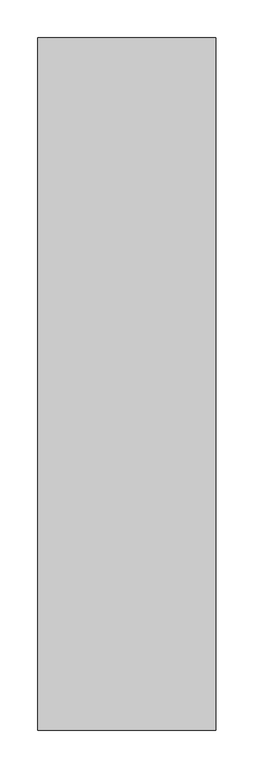
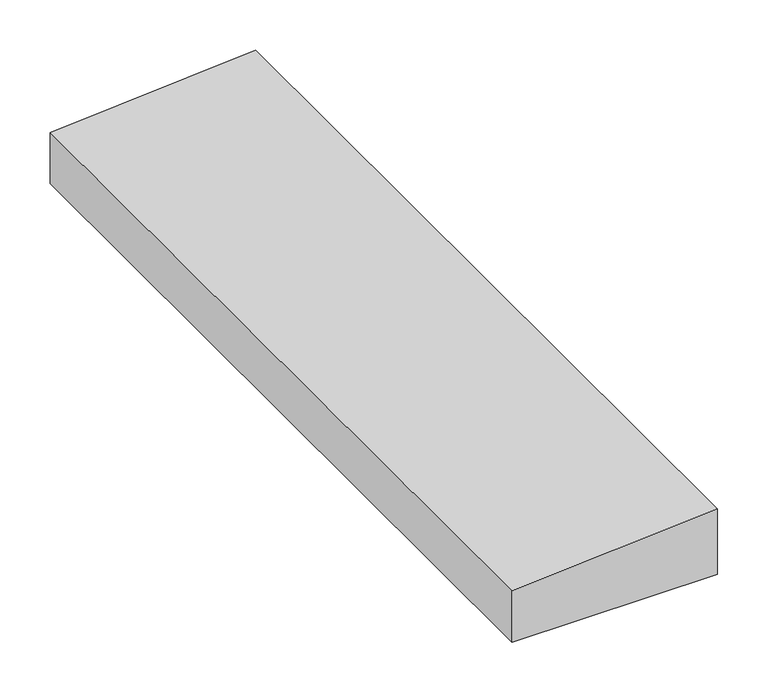
"""IFC4 building model written with IfcOpenShell, lengths in millimetres: proxy geometry."""

import ifcopenshell
import ifcopenshell.guid

model = None  # the IFC model being written
_history = None  # IfcOwnerHistory: only IFC2X3 demands one
_inside = {}  # id of a spatial element -> (the spatial element, [elements in it])
_under = {}  # id of a project, library or spatial element -> (it, [spatial elements below it])
_declared = {}  # id of a project -> (the project, [libraries it declares])
_typed = {}  # id of a type object -> (the type object, [elements of that type])
_made_of = {}  # id of a material, layer set ... -> (it, [elements and type objects made of it])


def new_model(schema):
    """Start an empty IFC model of exactly this schema.

    Asked for "IFC4X3", IfcOpenShell would pick the latest addendum, in which some entities
    have other attributes; the version numbers below select the first issue.
    IFC2X3 requires an IfcOwnerHistory on every rooted entity: one is made here for all.
    """
    global model, _history
    if schema == "IFC4X3":
        model = ifcopenshell.file(schema_version=(4, 3, 0, 0))
    else:
        model = ifcopenshell.file(schema=schema)
    _inside.clear()
    _under.clear()
    _declared.clear()
    _typed.clear()
    _made_of.clear()
    _history = None
    if model.schema == "IFC2X3":
        org = make("IfcOrganization", Name="unknown")
        user = make(
            "IfcPersonAndOrganization",
            ThePerson=make("IfcPerson", FamilyName="unknown"),
            TheOrganization=org,
        )
        app = make(
            "IfcApplication",
            ApplicationDeveloper=org,
            Version="unknown",
            ApplicationFullName="unknown",
            ApplicationIdentifier="unknown",
        )
        _history = make(
            "IfcOwnerHistory",
            OwningUser=user,
            OwningApplication=app,
            ChangeAction="ADDED",
            CreationDate=0,
        )
    return model


def make(cls, **values):
    """One entity of the class cls with the attributes given. An attribute that is None is left unset."""
    return model.create_entity(
        cls, **{name: value for name, value in values.items() if value is not None}
    )


def rooted(cls, **values):
    """An entity with a GlobalId (a new one), such as an element, a storey or a relation."""
    return make(cls, GlobalId=ifcopenshell.guid.new(), OwnerHistory=_history, **values)


def si_unit(unit_type, name, prefix=None):
    """IfcSIUnit, for example si_unit("LENGTHUNIT", "METRE", prefix="MILLI")."""
    return make("IfcSIUnit", UnitType=unit_type, Prefix=prefix, Name=name)


def assignment(units):
    """IfcUnitAssignment: the units of a project."""
    return None if units is None else make("IfcUnitAssignment", Units=units)


def point(xyz):
    """IfcCartesianPoint."""
    return None if xyz is None else make("IfcCartesianPoint", Coordinates=xyz)


def direction(xyz):
    """IfcDirection."""
    return None if xyz is None else make("IfcDirection", DirectionRatios=xyz)


def frame(location, z_axis=None, x_axis=None):
    """IfcAxis2Placement3D, a coordinate frame: its origin and axes. An axis left out is left unset."""
    return make(
        "IfcAxis2Placement3D",
        Location=point(location),
        Axis=direction(z_axis),
        RefDirection=direction(x_axis),
    )


def origin():
    """The frame at (0, 0, 0) with its axes left unset."""
    return frame((0.0, 0.0, 0.0))


def place(relative_to, where):
    """IfcLocalPlacement: puts the frame where relative to a parent placement (None: the world)."""
    return make(
        "IfcLocalPlacement", PlacementRelTo=relative_to, RelativePlacement=where
    )


def context(
    kind, dimensions, precision=None, world=None, true_north=None, identifier=None
):
    """IfcGeometricRepresentationContext, for example the 3D "Model" context."""
    return make(
        "IfcGeometricRepresentationContext",
        ContextIdentifier=identifier,
        ContextType=kind,
        CoordinateSpaceDimension=dimensions,
        Precision=precision,
        WorldCoordinateSystem=world,
        TrueNorth=true_north,
    )


def project(units=None, contexts=None):
    """IfcProject with its units and contexts."""
    return rooted(
        "IfcProject",
        Name="project",
        RepresentationContexts=contexts,
        UnitsInContext=assignment(units),
    )


def spatial(cls, under=None, at=None, **own):
    """A site, building, storey or space (cls), placed at a placement, below another one or the project."""
    s = rooted(cls, ObjectPlacement=at, **own)
    if under is not None:
        _under.setdefault(under.id(), (under, []))[1].append(s)
    return s


def polyline(points):
    """IfcPolyline through the points."""
    return make("IfcPolyline", Points=[point(p) for p in points])


def outline(outer, holes=None, kind="AREA"):
    """IfcArbitraryClosedProfileDef: a profile drawn as a closed curve; with holes, ...WithVoids."""
    if holes is None:
        return make("IfcArbitraryClosedProfileDef", ProfileType=kind, OuterCurve=outer)
    return make(
        "IfcArbitraryProfileDefWithVoids",
        ProfileType=kind,
        OuterCurve=outer,
        InnerCurves=holes,
    )


def extrude(swept, where, along, depth):
    """IfcExtrudedAreaSolid: the profile swept, set in the frame where, extruded along a direction by depth."""
    return make(
        "IfcExtrudedAreaSolid",
        SweptArea=swept,
        Position=where,
        ExtrudedDirection=direction(along),
        Depth=depth,
    )


def shape(context_of_items, identifier, shape_type, items):
    """IfcShapeRepresentation: the items that make up one representation, for example the "Body"."""
    return make(
        "IfcShapeRepresentation",
        ContextOfItems=context_of_items,
        RepresentationIdentifier=identifier,
        RepresentationType=shape_type,
        Items=items,
    )


def source(mapping_origin, context_of_items, identifier, shape_type, items):
    """IfcRepresentationMap: a shape defined once, which mapped items show again and again."""
    return make(
        "IfcRepresentationMap",
        MappingOrigin=mapping_origin,
        MappedRepresentation=shape(context_of_items, identifier, shape_type, items),
    )


def transform(
    local_origin,
    x_axis=None,
    y_axis=None,
    z_axis=None,
    scale=None,
    scale2=None,
    scale3=None,
    uniform=True,
):
    """IfcCartesianTransformationOperator3D, or its non-uniform kind. x_axis, y_axis, z_axis: its Axis1, 2, 3."""
    if uniform:
        return make(
            "IfcCartesianTransformationOperator3D",
            Axis1=direction(x_axis),
            Axis2=direction(y_axis),
            LocalOrigin=point(local_origin),
            Scale=scale,
            Axis3=direction(z_axis),
        )
    return make(
        "IfcCartesianTransformationOperator3DnonUniform",
        Axis1=direction(x_axis),
        Axis2=direction(y_axis),
        LocalOrigin=point(local_origin),
        Scale=scale,
        Axis3=direction(z_axis),
        Scale2=scale2,
        Scale3=scale3,
    )


def mapped(mapping_source, mapping_target):
    """IfcMappedItem: shows the shape of a source again, moved by a transform."""
    return make(
        "IfcMappedItem", MappingSource=mapping_source, MappingTarget=mapping_target
    )


def made_of(thing, what):
    """Note that an element or type object is made of a material, layer set ...; save() writes the relation."""
    if what is not None:
        _made_of.setdefault(what.id(), (what, []))[1].append(thing)
    return thing


def element(
    cls,
    number,
    at=None,
    inside=None,
    cuts=None,
    type_object=None,
    material=None,
    context=None,
    identifier="Body",
    shape_type=None,
    held_by="IfcProductDefinitionShape",
    body=None,
    shapes=None,
    **own,
):
    """One element of the class cls, such as IfcWall. Its Tag is "e" and its number.

    at: its placement. inside: the storey or other place that contains it. cuts: it is an
    opening in that element (IfcRelVoidsElement). A single representation is given by context,
    identifier, shape_type and body (its items); several are given by shapes. held_by: the class
    of the entity that holds the representations. save() writes the other relations.
    """
    e = rooted(cls, Tag="e%d" % number, ObjectPlacement=at, **own)
    if body is not None:
        shapes = [shape(context, identifier, shape_type, body)]
    if shapes is not None:
        e.Representation = make(held_by, Representations=shapes)
    if inside is not None:
        _inside.setdefault(inside.id(), (inside, []))[1].append(e)
    if cuts is not None:
        rooted(
            "IfcRelVoidsElement", RelatingBuildingElement=cuts, RelatedOpeningElement=e
        )
    if type_object is not None:
        _typed.setdefault(type_object.id(), (type_object, []))[1].append(e)
    return made_of(e, material)


def aggregate(whole, parts):
    """IfcRelAggregates: a whole, such as a stair, and the parts it consists of."""
    return rooted("IfcRelAggregates", RelatingObject=whole, RelatedObjects=parts)


def save(model, path):
    """Write the relations noted so far, then the file.

    IfcRelAggregates (storeys below a building ...), IfcRelContainedInSpatialStructure (elements
    in a storey), IfcRelDefinesByType, IfcRelAssociatesMaterial and IfcRelDeclares: one each for
    every whole, place, type object, material and project.
    """
    for whole, parts in _under.values():
        aggregate(whole, parts)
    for where, things in _inside.values():
        rooted(
            "IfcRelContainedInSpatialStructure",
            RelatedElements=things,
            RelatingStructure=where,
        )
    for kind, things in _typed.values():
        rooted("IfcRelDefinesByType", RelatedObjects=things, RelatingType=kind)
    for what, things in _made_of.values():
        rooted("IfcRelAssociatesMaterial", RelatedObjects=things, RelatingMaterial=what)
    for by, libraries in _declared.values():
        rooted("IfcRelDeclares", RelatingContext=by, RelatedDefinitions=libraries)
    model.write(path)


def generic_models_da0ec909(model_context):
    return source(origin(), model_context, "Body", "SweptSolid", [
        extrude(outline(polyline([(5648.2397181, 37598.9673373), (5648.2397181, 37833.9173373), (5727.4229627, 37833.9173373), (5710.460453, 37598.9673373), (5648.2397181, 37598.9673373)])), frame((0.0, -24891.5529893, 0.0), z_axis=(0.0, 1.0, 0.0), x_axis=(0.0, 0.0, 1.0)), (0.0, 0.0, 1.0), 914.4),
    ])


if __name__ == "__main__":
    model = new_model("IFC4")
    model_context = context("Model", 3, world=origin())
    ifc_project = project(units=[si_unit("LENGTHUNIT", "METRE", prefix="MILLI")], contexts=[model_context])
    site = spatial("IfcSite", under=ifc_project)
    building = spatial("IfcBuilding", under=site)
    placement = place(None, origin())
    generic_models_shape = generic_models_da0ec909(model_context)
    element("IfcBuildingElementProxy", 1, Name="Generic Models", at=placement, inside=building, context=model_context, shape_type="MappedRepresentation", body=[
        mapped(generic_models_shape, transform((0.0, 0.0, 0.0), x_axis=(1.0, 0.0, 0.0), y_axis=(0.0, 1.0, 0.0), z_axis=(0.0, 0.0, 1.0))),
    ])
    save(model, "model.ifc")
